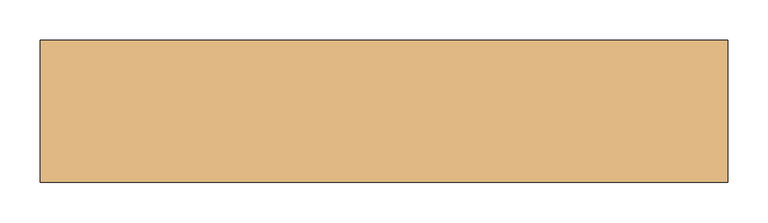
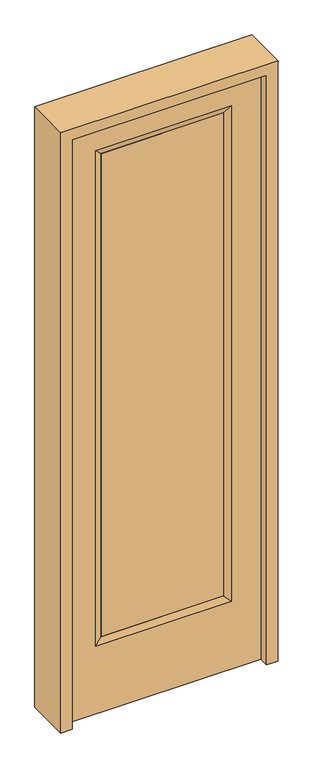
"""IFC4 building model written with IfcOpenShell, lengths in millimetres: door geometry."""

from ifc_helpers import new_model, si_unit, frame, origin, place, context, project, spatial, polyline, outline, extrude, faceted_brep, source, transform, mapped, element, save


def door_209161b6(model_context):
    return source(origin(), model_context, "Body", "SolidModel", [
        extrude(outline(polyline([(240.1824, -12.7039749), (-240.1824, -12.7039749), (-240.1824, 14.2875), (240.1824, 14.2875), (240.1824, -12.7039749)])), frame((0.0, 0.0, 304.8), z_axis=(0.0, 0.0, 1.0), x_axis=(1.0, 0.0, 0.0)), (0.0, 0.0, 1.0), 1997.5576),
        faceted_brep([(240.1824, 14.2875, 2302.3576), (265.5824, 22.225, 2327.7576), (265.5824, 22.225, 279.4), (240.1824, 14.2875, 304.8), (265.5824, -22.225, 2327.7576), (265.5824, -22.225, 279.4), (-265.5824, 22.225, 279.4), (-240.1824, 14.2875, 304.8), (240.1824, -12.7039749, 2302.3576), (240.1824, -12.7039749, 304.8), (-240.1824, -12.7039749, 304.8), (-265.5824, -22.225, 279.4), (-265.5824, 22.225, 2327.7576), (-240.1824, 14.2875, 2302.3576), (-240.1824, -12.7039749, 2302.3576), (-265.5824, -22.225, 2327.7576)], [[[0, 1, 2, 3]], [[1, 4, 5, 2]], [[3, 2, 6, 7]], [[8, 0, 3, 9]], [[9, 3, 7, 10]], [[4, 8, 9, 5]], [[5, 9, 10, 11]], [[2, 5, 11, 6]], [[7, 6, 12, 13]], [[10, 7, 13, 14]], [[11, 10, 14, 15]], [[6, 11, 15, 12]], [[13, 12, 1, 0]], [[14, 13, 0, 8]], [[15, 14, 8, 4]], [[12, 15, 4, 1]]]),
        extrude(outline(polyline([(0.0, -381.0), (0.0, 381.0), (2438.4, 381.0), (2438.4, -381.0), (0.0, -381.0)]), holes=[polyline([(279.4, -265.5824), (2327.7576, -265.5824), (2327.7576, 265.5824), (279.4, 265.5824), (279.4, -265.5824)])]), frame((0.0, -22.225, 0.0), z_axis=(0.0, 1.0, 0.0), x_axis=(0.0, 0.0, 1.0)), (0.0, 0.0, 1.0), 44.45),
        extrude(outline(polyline([(0.0, -425.45), (0.0, -381.0), (2438.4, -381.0), (2438.4, 381.0), (0.0, 381.0), (0.0, 425.45), (2482.85, 425.45), (2482.85, -425.45), (0.0, -425.45)])), frame((0.0, -61.1, 0.0), z_axis=(0.0, 1.0, 0.0), x_axis=(0.0, 0.0, 1.0)), (0.0, 0.0, 1.0), 175.4),
    ])


if __name__ == "__main__":
    model = new_model("IFC4")
    model_context = context("Model", 3, world=origin())
    ifc_project = project(units=[si_unit("LENGTHUNIT", "METRE", prefix="MILLI")], contexts=[model_context])
    site = spatial("IfcSite", under=ifc_project)
    building = spatial("IfcBuilding", under=site)
    placement = place(None, origin())
    door_shape = door_209161b6(model_context)
    element("IfcDoor", 1, at=placement, inside=building, context=model_context, shape_type="MappedRepresentation", body=[
        mapped(door_shape, transform((0.0, 0.0, 0.0), x_axis=(1.0, 0.0, 0.0), y_axis=(0.0, 1.0, 0.0), z_axis=(0.0, 0.0, 1.0))),
    ])
    save(model, "model.ifc")
